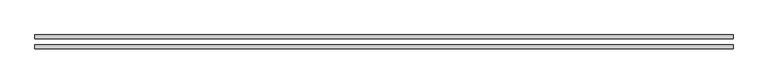
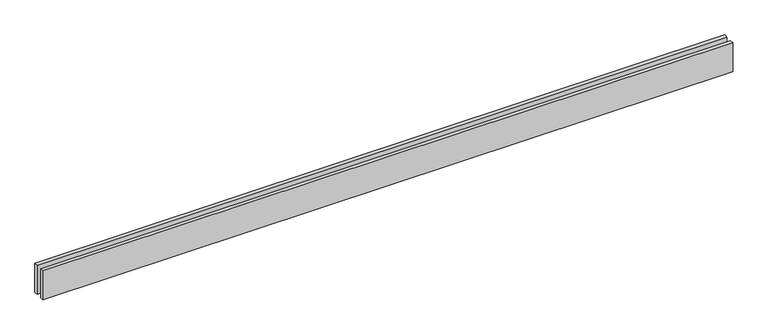
"""IFC4 building model written with IfcOpenShell, lengths in millimetres: proxy geometry."""

from ifc_helpers import new_model, si_unit, origin, origin_with_axes, place, context, project, spatial, polyline, outline, extrude, source, transform, mapped, element, save


def generic_models_da6b5720(model_context):
    return source(origin(), model_context, "Body", "SweptSolid", [
        extrude(outline(polyline([(5592.0977192, 25.0), (0.0, 25.0), (0.0, 55.0), (5592.0977192, 55.0), (5592.0977192, 25.0)])), origin_with_axes(), (0.0, 0.0, 1.0), 250.0),
        extrude(outline(polyline([(5592.0977192, -55.0), (0.0, -55.0), (0.0, -25.0), (5592.0977192, -25.0), (5592.0977192, -55.0)])), origin_with_axes(), (0.0, 0.0, 1.0), 250.0),
    ])


if __name__ == "__main__":
    model = new_model("IFC4")
    model_context = context("Model", 3, world=origin())
    ifc_project = project(units=[si_unit("LENGTHUNIT", "METRE", prefix="MILLI")], contexts=[model_context])
    site = spatial("IfcSite", under=ifc_project)
    building = spatial("IfcBuilding", under=site)
    placement = place(None, origin())
    generic_models_shape = generic_models_da6b5720(model_context)
    element("IfcBuildingElementProxy", 1, Name="Generic Models", at=placement, inside=building, context=model_context, shape_type="MappedRepresentation", body=[
        mapped(generic_models_shape, transform((0.0, 0.0, 0.0), x_axis=(1.0, 0.0, 0.0), y_axis=(0.0, 1.0, 0.0), z_axis=(0.0, 0.0, 1.0))),
    ])
    save(model, "model.ifc")
